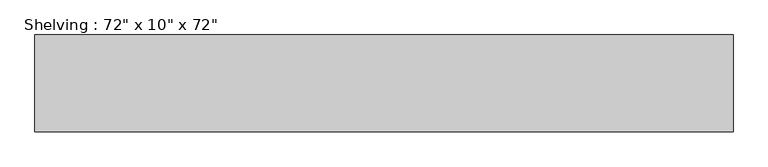
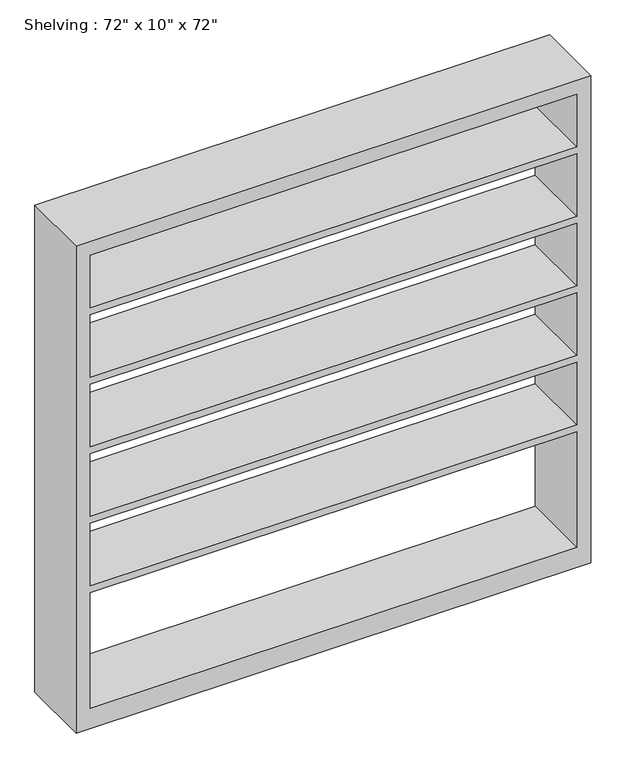
"""IFC4 building model written with IfcOpenShell, lengths in millimetres: furniture geometry."""

import ifcopenshell
import ifcopenshell.guid

model = None  # the IFC model being written
_history = None  # IfcOwnerHistory: only IFC2X3 demands one
_inside = {}  # id of a spatial element -> (the spatial element, [elements in it])
_under = {}  # id of a project, library or spatial element -> (it, [spatial elements below it])
_declared = {}  # id of a project -> (the project, [libraries it declares])
_typed = {}  # id of a type object -> (the type object, [elements of that type])
_made_of = {}  # id of a material, layer set ... -> (it, [elements and type objects made of it])


def new_model(schema):
    """Start an empty IFC model of exactly this schema.

    Asked for "IFC4X3", IfcOpenShell would pick the latest addendum, in which some entities
    have other attributes; the version numbers below select the first issue.
    IFC2X3 requires an IfcOwnerHistory on every rooted entity: one is made here for all.
    """
    global model, _history
    if schema == "IFC4X3":
        model = ifcopenshell.file(schema_version=(4, 3, 0, 0))
    else:
        model = ifcopenshell.file(schema=schema)
    _inside.clear()
    _under.clear()
    _declared.clear()
    _typed.clear()
    _made_of.clear()
    _history = None
    if model.schema == "IFC2X3":
        org = make("IfcOrganization", Name="unknown")
        user = make(
            "IfcPersonAndOrganization",
            ThePerson=make("IfcPerson", FamilyName="unknown"),
            TheOrganization=org,
        )
        app = make(
            "IfcApplication",
            ApplicationDeveloper=org,
            Version="unknown",
            ApplicationFullName="unknown",
            ApplicationIdentifier="unknown",
        )
        _history = make(
            "IfcOwnerHistory",
            OwningUser=user,
            OwningApplication=app,
            ChangeAction="ADDED",
            CreationDate=0,
        )
    return model


def make(cls, **values):
    """One entity of the class cls with the attributes given. An attribute that is None is left unset."""
    return model.create_entity(
        cls, **{name: value for name, value in values.items() if value is not None}
    )


def rooted(cls, **values):
    """An entity with a GlobalId (a new one), such as an element, a storey or a relation."""
    return make(cls, GlobalId=ifcopenshell.guid.new(), OwnerHistory=_history, **values)


def si_unit(unit_type, name, prefix=None):
    """IfcSIUnit, for example si_unit("LENGTHUNIT", "METRE", prefix="MILLI")."""
    return make("IfcSIUnit", UnitType=unit_type, Prefix=prefix, Name=name)


def assignment(units):
    """IfcUnitAssignment: the units of a project."""
    return None if units is None else make("IfcUnitAssignment", Units=units)


def point(xyz):
    """IfcCartesianPoint."""
    return None if xyz is None else make("IfcCartesianPoint", Coordinates=xyz)


def direction(xyz):
    """IfcDirection."""
    return None if xyz is None else make("IfcDirection", DirectionRatios=xyz)


def frame(location, z_axis=None, x_axis=None):
    """IfcAxis2Placement3D, a coordinate frame: its origin and axes. An axis left out is left unset."""
    return make(
        "IfcAxis2Placement3D",
        Location=point(location),
        Axis=direction(z_axis),
        RefDirection=direction(x_axis),
    )


def origin():
    """The frame at (0, 0, 0) with its axes left unset."""
    return frame((0.0, 0.0, 0.0))


def place(relative_to, where):
    """IfcLocalPlacement: puts the frame where relative to a parent placement (None: the world)."""
    return make(
        "IfcLocalPlacement", PlacementRelTo=relative_to, RelativePlacement=where
    )


def context(
    kind, dimensions, precision=None, world=None, true_north=None, identifier=None
):
    """IfcGeometricRepresentationContext, for example the 3D "Model" context."""
    return make(
        "IfcGeometricRepresentationContext",
        ContextIdentifier=identifier,
        ContextType=kind,
        CoordinateSpaceDimension=dimensions,
        Precision=precision,
        WorldCoordinateSystem=world,
        TrueNorth=true_north,
    )


def project(units=None, contexts=None):
    """IfcProject with its units and contexts."""
    return rooted(
        "IfcProject",
        Name="project",
        RepresentationContexts=contexts,
        UnitsInContext=assignment(units),
    )


def spatial(cls, under=None, at=None, **own):
    """A site, building, storey or space (cls), placed at a placement, below another one or the project."""
    s = rooted(cls, ObjectPlacement=at, **own)
    if under is not None:
        _under.setdefault(under.id(), (under, []))[1].append(s)
    return s


def polyline(points):
    """IfcPolyline through the points."""
    return make("IfcPolyline", Points=[point(p) for p in points])


def outline(outer, holes=None, kind="AREA"):
    """IfcArbitraryClosedProfileDef: a profile drawn as a closed curve; with holes, ...WithVoids."""
    if holes is None:
        return make("IfcArbitraryClosedProfileDef", ProfileType=kind, OuterCurve=outer)
    return make(
        "IfcArbitraryProfileDefWithVoids",
        ProfileType=kind,
        OuterCurve=outer,
        InnerCurves=holes,
    )


def extrude(swept, where, along, depth):
    """IfcExtrudedAreaSolid: the profile swept, set in the frame where, extruded along a direction by depth."""
    return make(
        "IfcExtrudedAreaSolid",
        SweptArea=swept,
        Position=where,
        ExtrudedDirection=direction(along),
        Depth=depth,
    )


def shape(context_of_items, identifier, shape_type, items):
    """IfcShapeRepresentation: the items that make up one representation, for example the "Body"."""
    return make(
        "IfcShapeRepresentation",
        ContextOfItems=context_of_items,
        RepresentationIdentifier=identifier,
        RepresentationType=shape_type,
        Items=items,
    )


def source(mapping_origin, context_of_items, identifier, shape_type, items):
    """IfcRepresentationMap: a shape defined once, which mapped items show again and again."""
    return make(
        "IfcRepresentationMap",
        MappingOrigin=mapping_origin,
        MappedRepresentation=shape(context_of_items, identifier, shape_type, items),
    )


def transform(
    local_origin,
    x_axis=None,
    y_axis=None,
    z_axis=None,
    scale=None,
    scale2=None,
    scale3=None,
    uniform=True,
):
    """IfcCartesianTransformationOperator3D, or its non-uniform kind. x_axis, y_axis, z_axis: its Axis1, 2, 3."""
    if uniform:
        return make(
            "IfcCartesianTransformationOperator3D",
            Axis1=direction(x_axis),
            Axis2=direction(y_axis),
            LocalOrigin=point(local_origin),
            Scale=scale,
            Axis3=direction(z_axis),
        )
    return make(
        "IfcCartesianTransformationOperator3DnonUniform",
        Axis1=direction(x_axis),
        Axis2=direction(y_axis),
        LocalOrigin=point(local_origin),
        Scale=scale,
        Axis3=direction(z_axis),
        Scale2=scale2,
        Scale3=scale3,
    )


def mapped(mapping_source, mapping_target):
    """IfcMappedItem: shows the shape of a source again, moved by a transform."""
    return make(
        "IfcMappedItem", MappingSource=mapping_source, MappingTarget=mapping_target
    )


def made_of(thing, what):
    """Note that an element or type object is made of a material, layer set ...; save() writes the relation."""
    if what is not None:
        _made_of.setdefault(what.id(), (what, []))[1].append(thing)
    return thing


def element(
    cls,
    number,
    at=None,
    inside=None,
    cuts=None,
    type_object=None,
    material=None,
    context=None,
    identifier="Body",
    shape_type=None,
    held_by="IfcProductDefinitionShape",
    body=None,
    shapes=None,
    **own,
):
    """One element of the class cls, such as IfcWall. Its Tag is "e" and its number.

    at: its placement. inside: the storey or other place that contains it. cuts: it is an
    opening in that element (IfcRelVoidsElement). A single representation is given by context,
    identifier, shape_type and body (its items); several are given by shapes. held_by: the class
    of the entity that holds the representations. save() writes the other relations.
    """
    e = rooted(cls, Tag="e%d" % number, ObjectPlacement=at, **own)
    if body is not None:
        shapes = [shape(context, identifier, shape_type, body)]
    if shapes is not None:
        e.Representation = make(held_by, Representations=shapes)
    if inside is not None:
        _inside.setdefault(inside.id(), (inside, []))[1].append(e)
    if cuts is not None:
        rooted(
            "IfcRelVoidsElement", RelatingBuildingElement=cuts, RelatedOpeningElement=e
        )
    if type_object is not None:
        _typed.setdefault(type_object.id(), (type_object, []))[1].append(e)
    return made_of(e, material)


def aggregate(whole, parts):
    """IfcRelAggregates: a whole, such as a stair, and the parts it consists of."""
    return rooted("IfcRelAggregates", RelatingObject=whole, RelatedObjects=parts)


def save(model, path):
    """Write the relations noted so far, then the file.

    IfcRelAggregates (storeys below a building ...), IfcRelContainedInSpatialStructure (elements
    in a storey), IfcRelDefinesByType, IfcRelAssociatesMaterial and IfcRelDeclares: one each for
    every whole, place, type object, material and project.
    """
    for whole, parts in _under.values():
        aggregate(whole, parts)
    for where, things in _inside.values():
        rooted(
            "IfcRelContainedInSpatialStructure",
            RelatedElements=things,
            RelatingStructure=where,
        )
    for kind, things in _typed.values():
        rooted("IfcRelDefinesByType", RelatedObjects=things, RelatingType=kind)
    for what, things in _made_of.values():
        rooted("IfcRelAssociatesMaterial", RelatedObjects=things, RelatingMaterial=what)
    for by, libraries in _declared.values():
        rooted("IfcRelDeclares", RelatingContext=by, RelatedDefinitions=libraries)
    model.write(path)


def furniture_c6fa4874(model_context):
    return source(origin(), model_context, "Body", "SweptSolid", [
        extrude(outline(polyline([(0.0, 914.4), (1828.8, 914.4), (1828.8, -914.4), (0.0, -914.4), (0.0, 914.4)]), holes=[polyline([(1778.0, 863.6), (1580.2428571, 863.6), (1580.2428571, -863.6), (1778.0, -863.6), (1778.0, 863.6)]), polyline([(76.2, 863.6), (76.2, -863.6), (509.8142857, -863.6), (509.8142857, 863.6), (76.2, 863.6)]), polyline([(1057.7285714, -863.6), (1293.5857143, -863.6), (1293.5857143, 863.6), (1057.7285714, 863.6), (1057.7285714, -863.6)]), polyline([(1554.8428571, 863.6), (1318.9857143, 863.6), (1318.9857143, -863.6), (1554.8428571, -863.6), (1554.8428571, 863.6)]), polyline([(1032.3285714, 863.6), (796.4714286, 863.6), (796.4714286, -863.6), (1032.3285714, -863.6), (1032.3285714, 863.6)]), polyline([(771.0714286, 863.6), (535.2142857, 863.6), (535.2142857, -863.6), (771.0714286, -863.6), (771.0714286, 863.6)])]), frame((0.0, -431.8, 0.0), z_axis=(0.0, 1.0, 0.0), x_axis=(0.0, 0.0, 1.0)), (0.0, 0.0, 1.0), 254.0),
    ])


if __name__ == "__main__":
    model = new_model("IFC4")
    model_context = context("Model", 3, world=origin())
    ifc_project = project(units=[si_unit("LENGTHUNIT", "METRE", prefix="MILLI")], contexts=[model_context])
    site = spatial("IfcSite", under=ifc_project)
    building = spatial("IfcBuilding", under=site)
    placement = place(None, origin())
    furniture_shape = furniture_c6fa4874(model_context)
    element("IfcFurniture", 1, ObjectType="Shelving : 72\" x 10\" x 72\"", at=placement, inside=building, context=model_context, shape_type="MappedRepresentation", body=[
        mapped(furniture_shape, transform((0.0, 0.0, 0.0), x_axis=(1.0, 0.0, 0.0), y_axis=(0.0, 1.0, 0.0), z_axis=(0.0, 0.0, 1.0))),
    ])
    save(model, "model.ifc")
